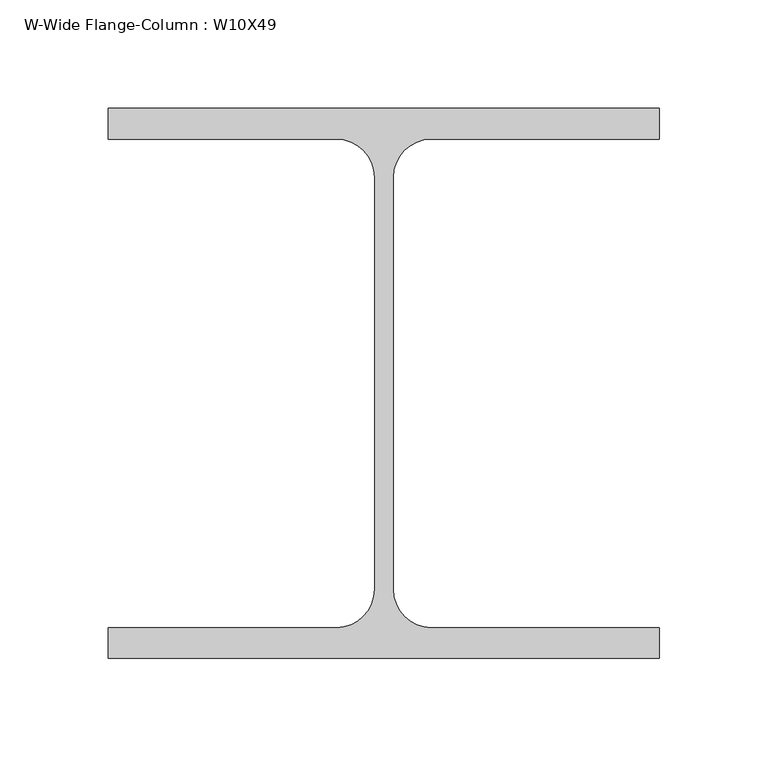
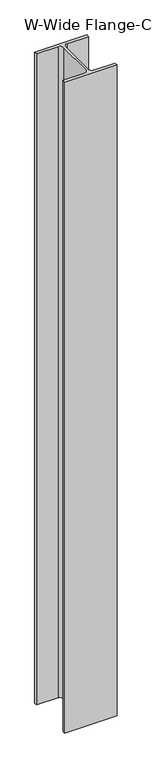
"""IFC4 building model written with IfcOpenShell, lengths in millimetres: column geometry, W-Wide Flange-Column : W10X49."""

from ifc_helpers import new_model, si_unit, point, frame, frame_2d, origin, place, context, project, spatial, polyline, circle_curve, trimmed, segment, composite_curve, outline, extrude, source, transform, mapped, element, save


def w_wide_flange_column_w10x49_5761458b(model_context):
    return source(origin(), model_context, "Body", "SweptSolid", [
        extrude(outline(composite_curve([segment(polyline([(127.0, 126.7519531), (127.0, 112.5636719), (21.8777344, 112.5636719)]), True, "CONTINUOUS"), segment(trimmed(circle_curve(frame_2d((21.8777344, 95.0019531)), 17.5617188), [point((21.8777344, 112.5636719))], [point((4.3160156, 95.0019531))], True, "CARTESIAN"), True, "CONTINUOUS"), segment(polyline([(4.3160156, 95.0019531), (4.3160156, -95.0019531)]), True, "CONTINUOUS"), segment(trimmed(circle_curve(frame_2d((21.8777344, -95.0019531)), 17.5617187), [point((4.3160156, -95.0019531))], [point((21.8777344, -112.5636719))], True, "CARTESIAN"), True, "CONTINUOUS"), segment(polyline([(21.8777344, -112.5636719), (127.0, -112.5636719), (127.0, -126.7519531), (-127.0, -126.7519531), (-127.0, -112.5636719), (-21.8777344, -112.5636719)]), True, "CONTINUOUS"), segment(trimmed(circle_curve(frame_2d((-21.8777344, -95.0019531)), 17.5617187), [point((-21.8777344, -112.5636719))], [point((-4.3160156, -95.0019531))], True, "CARTESIAN"), True, "CONTINUOUS"), segment(polyline([(-4.3160156, -95.0019531), (-4.3160156, 95.0019531)]), True, "CONTINUOUS"), segment(trimmed(circle_curve(frame_2d((-21.8777344, 95.0019531)), 17.5617188), [point((-4.3160156, 95.0019531))], [point((-21.8777344, 112.5636719))], True, "CARTESIAN"), True, "CONTINUOUS"), segment(polyline([(-21.8777344, 112.5636719), (-127.0, 112.5636719), (-127.0, 126.7519531), (127.0, 126.7519531)]), True, "CONTINUOUS")], self_intersect=False)), frame((0.0, 0.0, 10807.7), z_axis=(0.0, 0.0, 1.0), x_axis=(1.0, 0.0, 0.0)), (0.0, 0.0, 1.0), 3352.8),
    ])


if __name__ == "__main__":
    model = new_model("IFC4")
    model_context = context("Model", 3, world=origin())
    ifc_project = project(units=[si_unit("LENGTHUNIT", "METRE", prefix="MILLI")], contexts=[model_context])
    site = spatial("IfcSite", under=ifc_project)
    building = spatial("IfcBuilding", under=site)
    placement = place(None, origin())
    w_wide_flange_column_w10x49_shape = w_wide_flange_column_w10x49_5761458b(model_context)
    element("IfcColumn", 1, ObjectType="W-Wide Flange-Column : W10X49", at=placement, inside=building, context=model_context, shape_type="MappedRepresentation", body=[
        mapped(w_wide_flange_column_w10x49_shape, transform((0.0, 0.0, 0.0), x_axis=(1.0, 0.0, 0.0), y_axis=(0.0, 1.0, 0.0), z_axis=(0.0, 0.0, 1.0))),
    ])
    save(model, "model.ifc")
